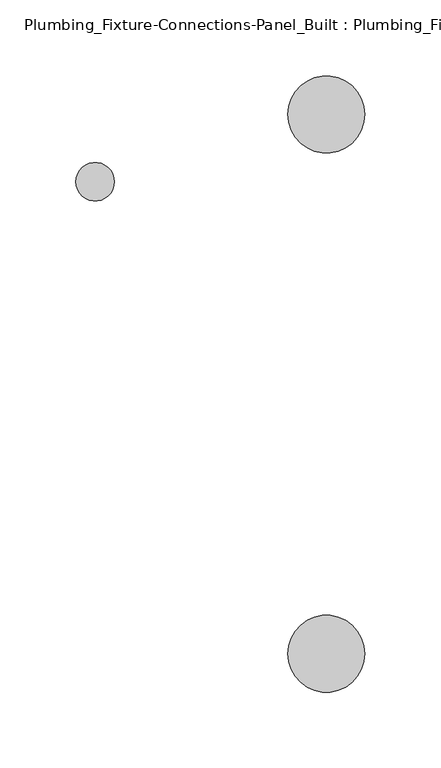
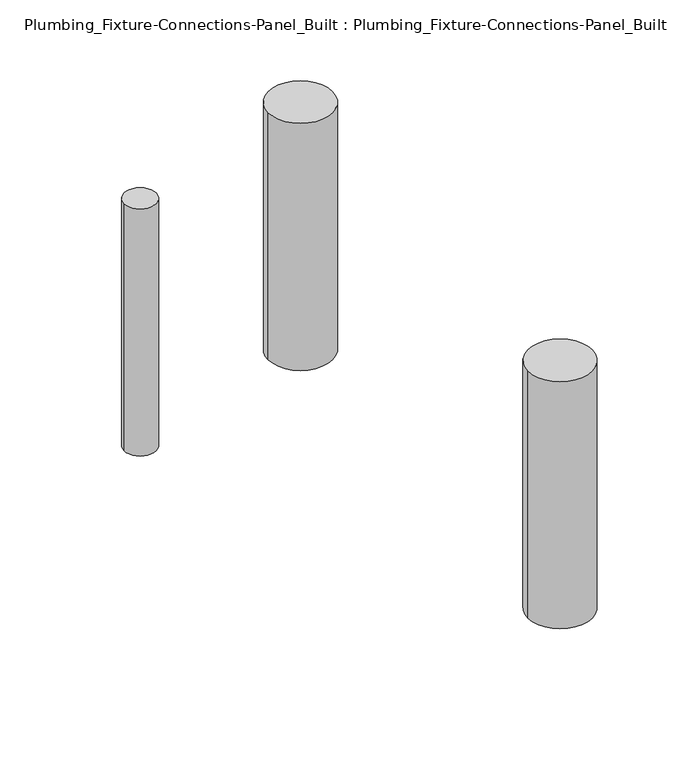
"""IFC4 building model written with IfcOpenShell, lengths in millimetres: flow terminal geometry, Plumbing_Fixture-Connections-Panel_Built : Plumbing_Fixture-Connections-Panel_Built."""

from ifc_helpers import new_model, si_unit, point, frame, frame_2d, origin, place, context, project, spatial, circle_curve, trimmed, segment, composite_curve, outline, extrude, source, transform, mapped, element, save


def plumbing_fixture_connections_panel_built_plumbing_fixture_79c604dc(model_context):
    return source(origin(), model_context, "Body", "SweptSolid", [
        extrude(outline(composite_curve([segment(trimmed(circle_curve(frame_2d((0.0, 76.2)), 25.4), [point((-25.4, 76.2))], [point((25.4, 76.2))], False, "CARTESIAN"), True, "CONTINUOUS"), segment(trimmed(circle_curve(frame_2d((0.0, 76.2)), 25.4), [point((25.4, 76.2))], [point((-25.4, 76.2))], False, "CARTESIAN"), True, "CONTINUOUS")], self_intersect=False)), frame((0.0, 0.0, -206.375), z_axis=(0.0, 0.0, 1.0), x_axis=(1.0, 0.0, 0.0)), (0.0, 0.0, 1.0), 206.375),
        extrude(outline(composite_curve([segment(trimmed(circle_curve(frame_2d((-152.4, 31.75)), 12.7), [point((-165.1, 31.75))], [point((-139.7, 31.75))], False, "CARTESIAN"), True, "CONTINUOUS"), segment(trimmed(circle_curve(frame_2d((-152.4, 31.75)), 12.7), [point((-139.7, 31.75))], [point((-165.1, 31.75))], False, "CARTESIAN"), True, "CONTINUOUS")], self_intersect=False)), frame((0.0, 0.0, -206.375), z_axis=(0.0, 0.0, 1.0), x_axis=(1.0, 0.0, 0.0)), (0.0, 0.0, 1.0), 206.375),
        extrude(outline(composite_curve([segment(trimmed(circle_curve(frame_2d((0.0, -279.4)), 25.4), [point((-25.4, -279.4))], [point((25.4, -279.4))], False, "CARTESIAN"), True, "CONTINUOUS"), segment(trimmed(circle_curve(frame_2d((0.0, -279.4)), 25.4), [point((25.4, -279.4))], [point((-25.4, -279.4))], False, "CARTESIAN"), True, "CONTINUOUS")], self_intersect=False)), frame((0.0, 0.0, -206.375), z_axis=(0.0, 0.0, 1.0), x_axis=(1.0, 0.0, 0.0)), (0.0, 0.0, 1.0), 206.375),
    ])


if __name__ == "__main__":
    model = new_model("IFC4")
    model_context = context("Model", 3, world=origin())
    ifc_project = project(units=[si_unit("LENGTHUNIT", "METRE", prefix="MILLI")], contexts=[model_context])
    site = spatial("IfcSite", under=ifc_project)
    building = spatial("IfcBuilding", under=site)
    placement = place(None, origin())
    plumbing_fixture_connections_panel_built_plumbing_fixture_shape = plumbing_fixture_connections_panel_built_plumbing_fixture_79c604dc(model_context)
    element("IfcFlowTerminal", 1, ObjectType="Plumbing_Fixture-Connections-Panel_Built : Plumbing_Fixture-Connections-Panel_Built", at=placement, inside=building, context=model_context, shape_type="MappedRepresentation", body=[
        mapped(plumbing_fixture_connections_panel_built_plumbing_fixture_shape, transform((0.0, 0.0, 0.0), x_axis=(1.0, 0.0, 0.0), y_axis=(0.0, 1.0, 0.0), z_axis=(0.0, 0.0, 1.0))),
    ])
    save(model, "model.ifc")
